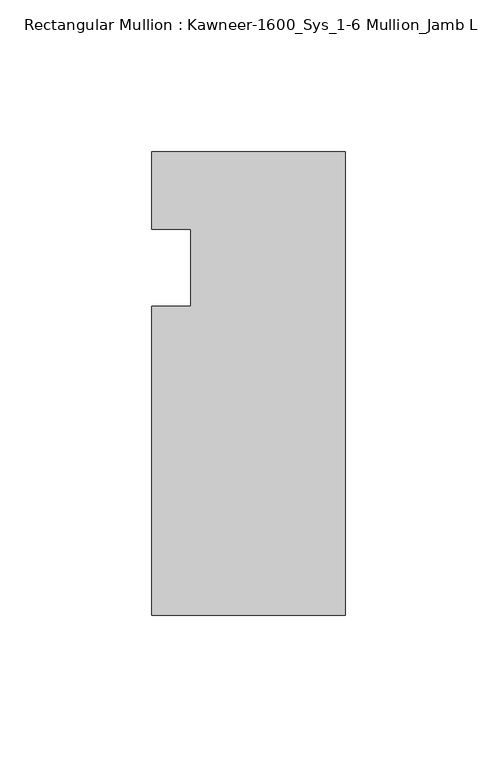
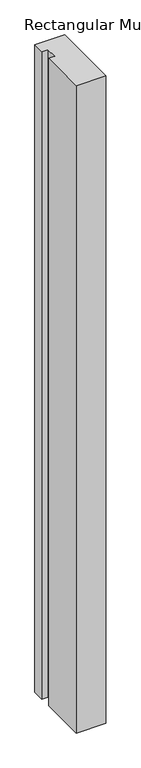
"""IFC4 building model written with IfcOpenShell, lengths in millimetres: member geometry, Rectangular Mullion : Kawneer-1600_Sys_1-6 Mullion_Jamb L."""

from ifc_helpers import new_model, si_unit, frame, origin, place, context, project, spatial, polyline, outline, extrude, source, transform, mapped, element, save


def rectangular_mullion_kawneer_1600_sys_1_6_mullion_jamb_l_1a0ed977(model_context):
    return source(origin(), model_context, "Body", "SweptSolid", [
        extrude(outline(polyline([(-63.5, -114.3), (-63.5, -12.7), (-50.7982296, -12.7), (-50.7982296, 12.7), (-63.5, 12.7), (-63.5, 38.1), (0.0, 38.1), (0.0, -114.3), (-63.5, -114.3)])), frame((0.0, 0.0, -1463.04), z_axis=(0.0, 0.0, 1.0), x_axis=(1.0, 0.0, 0.0)), (0.0, 0.0, 1.0), 1463.04),
    ])


if __name__ == "__main__":
    model = new_model("IFC4")
    model_context = context("Model", 3, world=origin())
    ifc_project = project(units=[si_unit("LENGTHUNIT", "METRE", prefix="MILLI")], contexts=[model_context])
    site = spatial("IfcSite", under=ifc_project)
    building = spatial("IfcBuilding", under=site)
    placement = place(None, origin())
    rectangular_mullion_kawneer_1600_sys_1_6_mullion_jamb_l_shape = rectangular_mullion_kawneer_1600_sys_1_6_mullion_jamb_l_1a0ed977(model_context)
    element("IfcMember", 1, ObjectType="Rectangular Mullion : Kawneer-1600_Sys_1-6 Mullion_Jamb L", at=placement, inside=building, context=model_context, shape_type="MappedRepresentation", body=[
        mapped(rectangular_mullion_kawneer_1600_sys_1_6_mullion_jamb_l_shape, transform((0.0, 0.0, 0.0), x_axis=(1.0, 0.0, 0.0), y_axis=(0.0, 1.0, 0.0), z_axis=(0.0, 0.0, 1.0))),
    ])
    save(model, "model.ifc")
